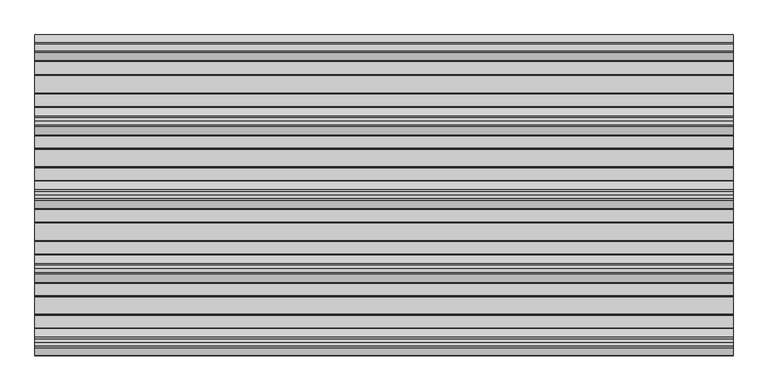
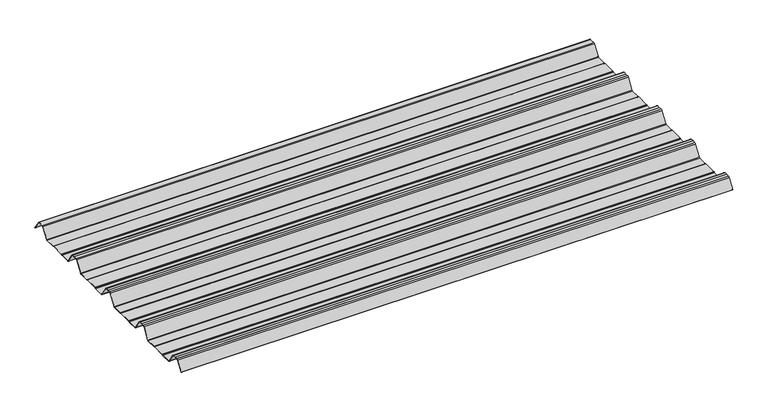
"""IFC4 building model written with IfcOpenShell, lengths in millimetres: beam geometry."""

from ifc_helpers import new_model, si_unit, point, frame, frame_2d, origin, place, context, project, spatial, polyline, circle_curve, trimmed, segment, composite_curve, outline, extrude, source, transform, mapped, element, save


def beam_acbfd011(model_context):
    return source(origin(), model_context, "Body", "SweptSolid", [
        extrude(outline(composite_curve([segment(trimmed(circle_curve(frame_2d((-42.8221294, -22.7927378)), 1.9969096), [point((-42.8221294, -24.7896475))], [point((-41.1570881, -23.8951378))], True, "CARTESIAN"), True, "CONTINUOUS"), segment(polyline([(-41.1570881, -23.8951378), (-15.2135106, 15.2894853)]), True, "CONTINUOUS"), segment(trimmed(circle_curve(frame_2d((-11.5, 12.6603525)), 4.55), [point((-15.2135106, 15.2894853))], [point((-11.5, 17.2103525))], False, "CARTESIAN"), True, "CONTINUOUS"), segment(polyline([(-11.5, 17.2103525), (11.5, 17.2103525)]), True, "CONTINUOUS"), segment(trimmed(circle_curve(frame_2d((11.5, 12.6603525)), 4.55), [point((11.5, 17.2103525))], [point((15.2135106, 15.2894853))], False, "CARTESIAN"), True, "CONTINUOUS"), segment(polyline([(15.2135106, 15.2894853), (40.2177712, -22.4764137)]), True, "CONTINUOUS"), segment(trimmed(circle_curve(frame_2d((39.8008667, -22.7524402)), 0.5), [point((40.2177712, -22.4764137))], [point((39.3839622, -23.0284667))], False, "CARTESIAN"), True, "CONTINUOUS"), segment(polyline([(39.3839622, -23.0284667), (14.3888612, 14.7235977)]), True, "CONTINUOUS"), segment(trimmed(circle_curve(frame_2d((11.5, 12.6603525)), 3.55), [point((14.3888612, 14.7235977))], [point((11.5, 16.2103525))], True, "CARTESIAN"), True, "CONTINUOUS"), segment(polyline([(11.5, 16.2103525), (-11.5, 16.2103525)]), True, "CONTINUOUS"), segment(trimmed(circle_curve(frame_2d((-11.5, 12.6603525)), 3.55), [point((-11.5, 16.2103525))], [point((-14.3888612, 14.7235977))], True, "CARTESIAN"), True, "CONTINUOUS"), segment(polyline([(-14.3888612, 14.7235977), (-40.3232791, -24.4471908)]), True, "CONTINUOUS"), segment(trimmed(circle_curve(frame_2d((-42.8221294, -22.7927378)), 2.9969096), [point((-40.3232791, -24.4471908))], [point((-42.8221294, -25.7896475))], False, "CARTESIAN"), True, "CONTINUOUS"), segment(polyline([(-42.8221294, -25.7896475), (-85.388552, -25.7896475)]), True, "CONTINUOUS"), segment(trimmed(circle_curve(frame_2d((-85.388552, -24.3396475)), 1.45), [point((-85.388552, -25.7896475))], [point((-86.3205937, -25.4504122))], False, "CARTESIAN"), True, "CONTINUOUS"), segment(polyline([(-86.3205937, -25.4504122), (-87.5888326, -24.386234)]), True, "CONTINUOUS"), segment(trimmed(circle_curve(frame_2d((-89.2279412, -26.3396487)), 2.5500012), [point((-87.5888326, -24.386234))], [point((-89.2279412, -23.7896475))], True, "CARTESIAN"), True, "CONTINUOUS"), segment(polyline([(-89.2279412, -23.7896475), (-143.2720588, -23.7896475)]), True, "CONTINUOUS"), segment(trimmed(circle_curve(frame_2d((-143.2720588, -26.3396487)), 2.5500012), [point((-143.2720588, -23.7896475))], [point((-144.9111674, -24.386234))], True, "CARTESIAN"), True, "CONTINUOUS"), segment(polyline([(-144.9111674, -24.386234), (-146.1794063, -25.4504122)]), True, "CONTINUOUS"), segment(trimmed(circle_curve(frame_2d((-147.111448, -24.3396475)), 1.45), [point((-146.1794063, -25.4504122))], [point((-147.111448, -25.7896475))], False, "CARTESIAN"), True, "CONTINUOUS"), segment(polyline([(-147.111448, -25.7896475), (-186.4999995, -25.7896475)]), True, "CONTINUOUS"), segment(trimmed(circle_curve(frame_2d((-186.4999995, -21.3396478)), 4.4499996), [point((-186.4999995, -25.7896475))], [point((-190.1531515, -23.8807062))], False, "CARTESIAN"), True, "CONTINUOUS"), segment(polyline([(-190.1531515, -23.8807062), (-216.4608773, 15.8539187)]), True, "CONTINUOUS"), segment(trimmed(circle_curve(frame_2d((-221.0, 12.6603525)), 5.55), [point((-216.4608773, 15.8539187))], [point((-221.0, 18.2103525))], True, "CARTESIAN"), True, "CONTINUOUS"), segment(polyline([(-221.0, 18.2103525), (-232.5, 18.2103525), (-244.0, 18.2103525)]), True, "CONTINUOUS"), segment(trimmed(circle_curve(frame_2d((-244.0, 12.6603525)), 5.55), [point((-244.0, 18.2103525))], [point((-248.5391227, 15.8539187))], True, "CARTESIAN"), True, "CONTINUOUS"), segment(polyline([(-248.5391227, 15.8539187), (-274.8468485, -23.8807062)]), True, "CONTINUOUS"), segment(trimmed(circle_curve(frame_2d((-278.5000005, -21.3396478)), 4.4499996), [point((-274.8468485, -23.8807062))], [point((-278.5000005, -25.7896475))], False, "CARTESIAN"), True, "CONTINUOUS"), segment(polyline([(-278.5000005, -25.7896475), (-317.888552, -25.7896475)]), True, "CONTINUOUS"), segment(trimmed(circle_curve(frame_2d((-317.888552, -24.3396475)), 1.45), [point((-317.888552, -25.7896475))], [point((-318.8205937, -25.4504122))], False, "CARTESIAN"), True, "CONTINUOUS"), segment(polyline([(-318.8205937, -25.4504122), (-320.0888326, -24.386234)]), True, "CONTINUOUS"), segment(trimmed(circle_curve(frame_2d((-321.7279412, -26.3396487)), 2.5500012), [point((-320.0888326, -24.386234))], [point((-321.7279412, -23.7896475))], True, "CARTESIAN"), True, "CONTINUOUS"), segment(polyline([(-321.7279412, -23.7896475), (-375.7720588, -23.7896475)]), True, "CONTINUOUS"), segment(trimmed(circle_curve(frame_2d((-375.7720588, -26.3396487)), 2.5500012), [point((-375.7720588, -23.7896475))], [point((-377.4111674, -24.386234))], True, "CARTESIAN"), True, "CONTINUOUS"), segment(polyline([(-377.4111674, -24.386234), (-378.6794063, -25.4504122)]), True, "CONTINUOUS"), segment(trimmed(circle_curve(frame_2d((-379.611448, -24.3396475)), 1.45), [point((-378.6794063, -25.4504122))], [point((-379.611448, -25.7896475))], False, "CARTESIAN"), True, "CONTINUOUS"), segment(polyline([(-379.611448, -25.7896475), (-418.9999995, -25.7896475)]), True, "CONTINUOUS"), segment(trimmed(circle_curve(frame_2d((-418.9999995, -21.3396478)), 4.4499996), [point((-418.9999995, -25.7896475))], [point((-422.6531515, -23.8807062))], False, "CARTESIAN"), True, "CONTINUOUS"), segment(polyline([(-422.6531515, -23.8807062), (-448.9608773, 15.8539187)]), True, "CONTINUOUS"), segment(trimmed(circle_curve(frame_2d((-453.5, 12.6603525)), 5.55), [point((-448.9608773, 15.8539187))], [point((-453.5, 18.2103525))], True, "CARTESIAN"), True, "CONTINUOUS"), segment(polyline([(-453.5, 18.2103525), (-465.0, 18.2103525), (-476.5, 18.2103525)]), True, "CONTINUOUS"), segment(trimmed(circle_curve(frame_2d((-476.5, 12.6603525)), 5.55), [point((-476.5, 18.2103525))], [point((-481.0391227, 15.8539187))], True, "CARTESIAN"), True, "CONTINUOUS"), segment(polyline([(-481.0391227, 15.8539187), (-507.3468485, -23.8807062)]), True, "CONTINUOUS"), segment(trimmed(circle_curve(frame_2d((-511.0000005, -21.3396478)), 4.4499996), [point((-507.3468485, -23.8807062))], [point((-511.0000005, -25.7896475))], False, "CARTESIAN"), True, "CONTINUOUS"), segment(polyline([(-511.0000005, -25.7896475), (-550.388552, -25.7896475)]), True, "CONTINUOUS"), segment(trimmed(circle_curve(frame_2d((-550.388552, -24.3396475)), 1.45), [point((-550.388552, -25.7896475))], [point((-551.3205937, -25.4504122))], False, "CARTESIAN"), True, "CONTINUOUS"), segment(polyline([(-551.3205937, -25.4504122), (-552.5888326, -24.386234)]), True, "CONTINUOUS"), segment(trimmed(circle_curve(frame_2d((-554.2279412, -26.3396487)), 2.5500012), [point((-552.5888326, -24.386234))], [point((-554.2279412, -23.7896475))], True, "CARTESIAN"), True, "CONTINUOUS"), segment(polyline([(-554.2279412, -23.7896475), (-608.2720588, -23.7896475)]), True, "CONTINUOUS"), segment(trimmed(circle_curve(frame_2d((-608.2720588, -26.3396487)), 2.5500012), [point((-608.2720588, -23.7896475))], [point((-609.9111674, -24.386234))], True, "CARTESIAN"), True, "CONTINUOUS"), segment(polyline([(-609.9111674, -24.386234), (-611.1794063, -25.4504122)]), True, "CONTINUOUS"), segment(trimmed(circle_curve(frame_2d((-612.111448, -24.3396475)), 1.45), [point((-611.1794063, -25.4504122))], [point((-612.111448, -25.7896475))], False, "CARTESIAN"), True, "CONTINUOUS"), segment(polyline([(-612.111448, -25.7896475), (-651.4999995, -25.7896475)]), True, "CONTINUOUS"), segment(trimmed(circle_curve(frame_2d((-651.4999995, -21.3396478)), 4.4499996), [point((-651.4999995, -25.7896475))], [point((-655.1531515, -23.8807062))], False, "CARTESIAN"), True, "CONTINUOUS"), segment(polyline([(-655.1531515, -23.8807062), (-681.4608773, 15.8539187)]), True, "CONTINUOUS"), segment(trimmed(circle_curve(frame_2d((-686.0, 12.6603525)), 5.55), [point((-681.4608773, 15.8539187))], [point((-686.0, 18.2103525))], True, "CARTESIAN"), True, "CONTINUOUS"), segment(polyline([(-686.0, 18.2103525), (-697.5, 18.2103525), (-709.0, 18.2103525)]), True, "CONTINUOUS"), segment(trimmed(circle_curve(frame_2d((-709.0, 12.6603525)), 5.55), [point((-709.0, 18.2103525))], [point((-713.5391227, 15.8539187))], True, "CARTESIAN"), True, "CONTINUOUS"), segment(polyline([(-713.5391227, 15.8539187), (-739.8468485, -23.8807062)]), True, "CONTINUOUS"), segment(trimmed(circle_curve(frame_2d((-743.5000005, -21.3396478)), 4.4499996), [point((-739.8468485, -23.8807062))], [point((-743.5000005, -25.7896475))], False, "CARTESIAN"), True, "CONTINUOUS"), segment(polyline([(-743.5000005, -25.7896475), (-782.888552, -25.7896475)]), True, "CONTINUOUS"), segment(trimmed(circle_curve(frame_2d((-782.888552, -24.3396475)), 1.45), [point((-782.888552, -25.7896475))], [point((-783.8205937, -25.4504122))], False, "CARTESIAN"), True, "CONTINUOUS"), segment(polyline([(-783.8205937, -25.4504122), (-785.0888326, -24.386234)]), True, "CONTINUOUS"), segment(trimmed(circle_curve(frame_2d((-786.7279412, -26.3396487)), 2.5500012), [point((-785.0888326, -24.386234))], [point((-786.7279412, -23.7896475))], True, "CARTESIAN"), True, "CONTINUOUS"), segment(polyline([(-786.7279412, -23.7896475), (-840.7720588, -23.7896475)]), True, "CONTINUOUS"), segment(trimmed(circle_curve(frame_2d((-840.7720588, -26.3396487)), 2.5500012), [point((-840.7720588, -23.7896475))], [point((-842.4111674, -24.386234))], True, "CARTESIAN"), True, "CONTINUOUS"), segment(polyline([(-842.4111674, -24.386234), (-843.6794063, -25.4504122)]), True, "CONTINUOUS"), segment(trimmed(circle_curve(frame_2d((-844.611448, -24.3396475)), 1.45), [point((-843.6794063, -25.4504122))], [point((-844.611448, -25.7896475))], False, "CARTESIAN"), True, "CONTINUOUS"), segment(polyline([(-844.611448, -25.7896475), (-883.9999995, -25.7896475)]), True, "CONTINUOUS"), segment(trimmed(circle_curve(frame_2d((-883.9999995, -21.3396478)), 4.4499996), [point((-883.9999995, -25.7896475))], [point((-887.6531515, -23.8807062))], False, "CARTESIAN"), True, "CONTINUOUS"), segment(polyline([(-887.6531515, -23.8807062), (-913.9608773, 15.8539187)]), True, "CONTINUOUS"), segment(trimmed(circle_curve(frame_2d((-918.5, 12.6603525)), 5.55), [point((-913.9608773, 15.8539187))], [point((-918.5, 18.2103525))], True, "CARTESIAN"), True, "CONTINUOUS"), segment(polyline([(-918.5, 18.2103525), (-930.0, 18.2103525), (-941.5, 18.2103525)]), True, "CONTINUOUS"), segment(trimmed(circle_curve(frame_2d((-941.5, 12.6603525)), 5.55), [point((-941.5, 18.2103525))], [point((-946.0391227, 15.8539187))], True, "CARTESIAN"), True, "CONTINUOUS"), segment(polyline([(-946.0391227, 15.8539187), (-969.9715304, -20.2930766)]), True, "CONTINUOUS"), segment(trimmed(circle_curve(frame_2d((-970.3884349, -20.0170501)), 0.5), [point((-969.9715304, -20.2930766))], [point((-970.8053395, -19.7410236))], False, "CARTESIAN"), True, "CONTINUOUS"), segment(polyline([(-970.8053395, -19.7410236), (-946.8654458, 16.4172784)]), True, "CONTINUOUS"), segment(trimmed(circle_curve(frame_2d((-941.5, 12.6603525)), 6.55), [point((-946.8654458, 16.4172784))], [point((-941.5, 19.2103525))], False, "CARTESIAN"), True, "CONTINUOUS"), segment(polyline([(-941.5, 19.2103525), (-930.0, 19.2103525), (-918.5, 19.2103525)]), True, "CONTINUOUS"), segment(trimmed(circle_curve(frame_2d((-918.5, 12.6603525)), 6.55), [point((-918.5, 19.2103525))], [point((-913.1345542, 16.4172784))], False, "CARTESIAN"), True, "CONTINUOUS"), segment(polyline([(-913.1345542, 16.4172784), (-886.8260739, -23.3184861)]), True, "CONTINUOUS"), segment(trimmed(circle_curve(frame_2d((-883.9999995, -21.3396478)), 3.4499996), [point((-886.8260739, -23.3184861))], [point((-883.9999995, -24.7896475))], True, "CARTESIAN"), True, "CONTINUOUS"), segment(polyline([(-883.9999995, -24.7896475), (-844.8915726, -24.7896475)]), True, "CONTINUOUS"), segment(trimmed(circle_curve(frame_2d((-844.8915726, -23.5700111)), 1.2196364), [point((-844.8915726, -24.7896475))], [point((-844.1076057, -24.504307))], True, "CARTESIAN"), True, "CONTINUOUS"), segment(polyline([(-844.1076057, -24.504307), (-843.0539548, -23.6201894)]), True, "CONTINUOUS"), segment(trimmed(circle_curve(frame_2d((-840.7720588, -26.3396487)), 3.5500012), [point((-843.0539548, -23.6201894))], [point((-840.7720588, -22.7896475))], False, "CARTESIAN"), True, "CONTINUOUS"), segment(polyline([(-840.7720588, -22.7896475), (-786.7279412, -22.7896475)]), True, "CONTINUOUS"), segment(trimmed(circle_curve(frame_2d((-786.7279412, -26.3396487)), 3.5500012), [point((-786.7279412, -22.7896475))], [point((-784.4460452, -23.6201894))], False, "CARTESIAN"), True, "CONTINUOUS"), segment(polyline([(-784.4460452, -23.6201894), (-783.3923943, -24.504307)]), True, "CONTINUOUS"), segment(trimmed(circle_curve(frame_2d((-782.6084274, -23.5700111)), 1.2196364), [point((-783.3923943, -24.504307))], [point((-782.6084274, -24.7896475))], True, "CARTESIAN"), True, "CONTINUOUS"), segment(polyline([(-782.6084274, -24.7896475), (-743.5000005, -24.7896475)]), True, "CONTINUOUS"), segment(trimmed(circle_curve(frame_2d((-743.5000005, -21.3396478)), 3.4499996), [point((-743.5000005, -24.7896475))], [point((-740.6739261, -23.3184861))], True, "CARTESIAN"), True, "CONTINUOUS"), segment(polyline([(-740.6739261, -23.3184861), (-714.3654458, 16.4172784)]), True, "CONTINUOUS"), segment(trimmed(circle_curve(frame_2d((-709.0, 12.6603525)), 6.55), [point((-714.3654458, 16.4172784))], [point((-709.0, 19.2103525))], False, "CARTESIAN"), True, "CONTINUOUS"), segment(polyline([(-709.0, 19.2103525), (-697.5, 19.2103525), (-686.0, 19.2103525)]), True, "CONTINUOUS"), segment(trimmed(circle_curve(frame_2d((-686.0, 12.6603525)), 6.55), [point((-686.0, 19.2103525))], [point((-680.6345542, 16.4172784))], False, "CARTESIAN"), True, "CONTINUOUS"), segment(polyline([(-680.6345542, 16.4172784), (-654.3260739, -23.3184861)]), True, "CONTINUOUS"), segment(trimmed(circle_curve(frame_2d((-651.4999995, -21.3396478)), 3.4499996), [point((-654.3260739, -23.3184861))], [point((-651.4999995, -24.7896475))], True, "CARTESIAN"), True, "CONTINUOUS"), segment(polyline([(-651.4999995, -24.7896475), (-612.3915726, -24.7896475)]), True, "CONTINUOUS"), segment(trimmed(circle_curve(frame_2d((-612.3915726, -23.5700111)), 1.2196364), [point((-612.3915726, -24.7896475))], [point((-611.6076057, -24.504307))], True, "CARTESIAN"), True, "CONTINUOUS"), segment(polyline([(-611.6076057, -24.504307), (-610.5539548, -23.6201894)]), True, "CONTINUOUS"), segment(trimmed(circle_curve(frame_2d((-608.2720588, -26.3396487)), 3.5500012), [point((-610.5539548, -23.6201894))], [point((-608.2720588, -22.7896475))], False, "CARTESIAN"), True, "CONTINUOUS"), segment(polyline([(-608.2720588, -22.7896475), (-554.2279412, -22.7896475)]), True, "CONTINUOUS"), segment(trimmed(circle_curve(frame_2d((-554.2279412, -26.3396487)), 3.5500012), [point((-554.2279412, -22.7896475))], [point((-551.9460452, -23.6201894))], False, "CARTESIAN"), True, "CONTINUOUS"), segment(polyline([(-551.9460452, -23.6201894), (-550.8923943, -24.504307)]), True, "CONTINUOUS"), segment(trimmed(circle_curve(frame_2d((-550.1084274, -23.5700111)), 1.2196364), [point((-550.8923943, -24.504307))], [point((-550.1084274, -24.7896475))], True, "CARTESIAN"), True, "CONTINUOUS"), segment(polyline([(-550.1084274, -24.7896475), (-511.0000005, -24.7896475)]), True, "CONTINUOUS"), segment(trimmed(circle_curve(frame_2d((-511.0000005, -21.3396478)), 3.4499996), [point((-511.0000005, -24.7896475))], [point((-508.1739261, -23.3184861))], True, "CARTESIAN"), True, "CONTINUOUS"), segment(polyline([(-508.1739261, -23.3184861), (-481.8654458, 16.4172784)]), True, "CONTINUOUS"), segment(trimmed(circle_curve(frame_2d((-476.5, 12.6603525)), 6.55), [point((-481.8654458, 16.4172784))], [point((-476.5, 19.2103525))], False, "CARTESIAN"), True, "CONTINUOUS"), segment(polyline([(-476.5, 19.2103525), (-465.0, 19.2103525), (-453.5, 19.2103525)]), True, "CONTINUOUS"), segment(trimmed(circle_curve(frame_2d((-453.5, 12.6603525)), 6.55), [point((-453.5, 19.2103525))], [point((-448.1345542, 16.4172784))], False, "CARTESIAN"), True, "CONTINUOUS"), segment(polyline([(-448.1345542, 16.4172784), (-421.8260739, -23.3184861)]), True, "CONTINUOUS"), segment(trimmed(circle_curve(frame_2d((-418.9999995, -21.3396478)), 3.4499996), [point((-421.8260739, -23.3184861))], [point((-418.9999995, -24.7896475))], True, "CARTESIAN"), True, "CONTINUOUS"), segment(polyline([(-418.9999995, -24.7896475), (-379.8915726, -24.7896475)]), True, "CONTINUOUS"), segment(trimmed(circle_curve(frame_2d((-379.8915726, -23.5700111)), 1.2196364), [point((-379.8915726, -24.7896475))], [point((-379.1076057, -24.504307))], True, "CARTESIAN"), True, "CONTINUOUS"), segment(polyline([(-379.1076057, -24.504307), (-378.0539548, -23.6201894)]), True, "CONTINUOUS"), segment(trimmed(circle_curve(frame_2d((-375.7720588, -26.3396487)), 3.5500012), [point((-378.0539548, -23.6201894))], [point((-375.7720588, -22.7896475))], False, "CARTESIAN"), True, "CONTINUOUS"), segment(polyline([(-375.7720588, -22.7896475), (-321.7279412, -22.7896475)]), True, "CONTINUOUS"), segment(trimmed(circle_curve(frame_2d((-321.7279412, -26.3396487)), 3.5500012), [point((-321.7279412, -22.7896475))], [point((-319.4460452, -23.6201894))], False, "CARTESIAN"), True, "CONTINUOUS"), segment(polyline([(-319.4460452, -23.6201894), (-318.3923943, -24.504307)]), True, "CONTINUOUS"), segment(trimmed(circle_curve(frame_2d((-317.6084274, -23.5700111)), 1.2196364), [point((-318.3923943, -24.504307))], [point((-317.6084274, -24.7896475))], True, "CARTESIAN"), True, "CONTINUOUS"), segment(polyline([(-317.6084274, -24.7896475), (-278.5000005, -24.7896475)]), True, "CONTINUOUS"), segment(trimmed(circle_curve(frame_2d((-278.5000005, -21.3396478)), 3.4499996), [point((-278.5000005, -24.7896475))], [point((-275.6739261, -23.3184861))], True, "CARTESIAN"), True, "CONTINUOUS"), segment(polyline([(-275.6739261, -23.3184861), (-249.3654458, 16.4172784)]), True, "CONTINUOUS"), segment(trimmed(circle_curve(frame_2d((-244.0, 12.6603525)), 6.55), [point((-249.3654458, 16.4172784))], [point((-244.0, 19.2103525))], False, "CARTESIAN"), True, "CONTINUOUS"), segment(polyline([(-244.0, 19.2103525), (-232.5, 19.2103525), (-221.0, 19.2103525)]), True, "CONTINUOUS"), segment(trimmed(circle_curve(frame_2d((-221.0, 12.6603525)), 6.55), [point((-221.0, 19.2103525))], [point((-215.6345542, 16.4172784))], False, "CARTESIAN"), True, "CONTINUOUS"), segment(polyline([(-215.6345542, 16.4172784), (-189.3260739, -23.3184861)]), True, "CONTINUOUS"), segment(trimmed(circle_curve(frame_2d((-186.4999995, -21.3396478)), 3.4499996), [point((-189.3260739, -23.3184861))], [point((-186.4999995, -24.7896475))], True, "CARTESIAN"), True, "CONTINUOUS"), segment(polyline([(-186.4999995, -24.7896475), (-147.3915726, -24.7896475)]), True, "CONTINUOUS"), segment(trimmed(circle_curve(frame_2d((-147.3915726, -23.5700111)), 1.2196364), [point((-147.3915726, -24.7896475))], [point((-146.6076057, -24.504307))], True, "CARTESIAN"), True, "CONTINUOUS"), segment(polyline([(-146.6076057, -24.504307), (-145.5539548, -23.6201894)]), True, "CONTINUOUS"), segment(trimmed(circle_curve(frame_2d((-143.2720588, -26.3396487)), 3.5500012), [point((-145.5539548, -23.6201894))], [point((-143.2720588, -22.7896475))], False, "CARTESIAN"), True, "CONTINUOUS"), segment(polyline([(-143.2720588, -22.7896475), (-89.2279412, -22.7896475)]), True, "CONTINUOUS"), segment(trimmed(circle_curve(frame_2d((-89.2279412, -26.3396487)), 3.5500012), [point((-89.2279412, -22.7896475))], [point((-86.9460452, -23.6201894))], False, "CARTESIAN"), True, "CONTINUOUS"), segment(polyline([(-86.9460452, -23.6201894), (-85.8923943, -24.504307)]), True, "CONTINUOUS"), segment(trimmed(circle_curve(frame_2d((-85.1084274, -23.5700111)), 1.2196364), [point((-85.8923943, -24.504307))], [point((-85.1084274, -24.7896475))], True, "CARTESIAN"), True, "CONTINUOUS"), segment(polyline([(-85.1084274, -24.7896475), (-42.8221294, -24.7896475)]), True, "CONTINUOUS")], self_intersect=False)), frame((-1100.6390189, 0.0, 0.0), z_axis=(1.0, 0.0, 0.0), x_axis=(0.0, 1.0, 0.0)), (0.0, 0.0, 1.0), 2201.2780379),
    ])


if __name__ == "__main__":
    model = new_model("IFC4")
    model_context = context("Model", 3, world=origin())
    ifc_project = project(units=[si_unit("LENGTHUNIT", "METRE", prefix="MILLI")], contexts=[model_context])
    site = spatial("IfcSite", under=ifc_project)
    building = spatial("IfcBuilding", under=site)
    placement = place(None, origin())
    beam_shape = beam_acbfd011(model_context)
    element("IfcBeam", 1, at=placement, inside=building, context=model_context, shape_type="MappedRepresentation", body=[
        mapped(beam_shape, transform((0.0, 0.0, 0.0), x_axis=(1.0, 0.0, 0.0), y_axis=(0.0, 1.0, 0.0), z_axis=(0.0, 0.0, 1.0))),
    ])
    save(model, "model.ifc")
